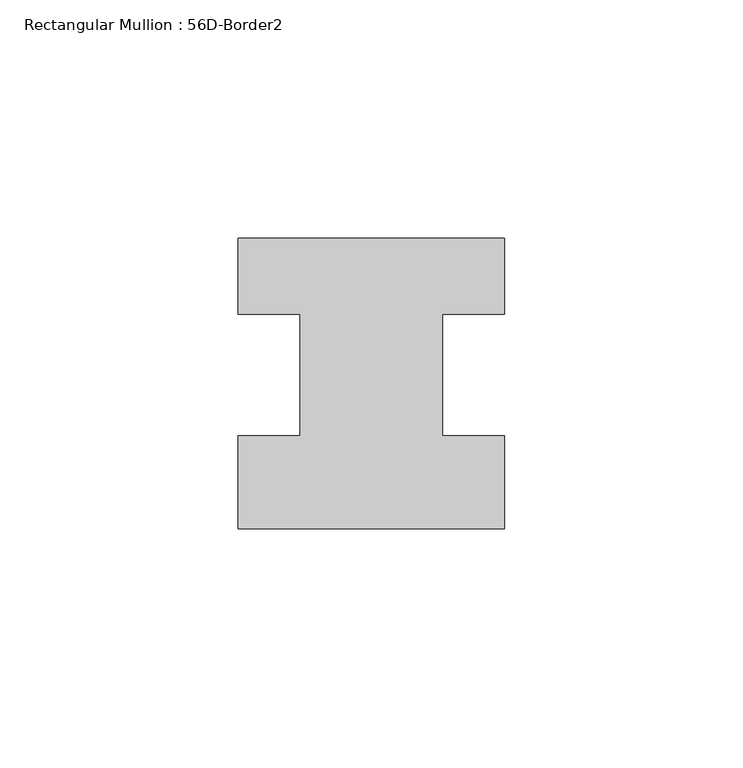
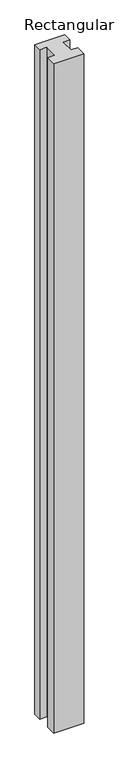
"""IFC4 building model written with IfcOpenShell, lengths in millimetres: member geometry, Rectangular Mullion : 56D-Border2."""

from ifc_helpers import new_model, si_unit, frame, origin, place, context, project, spatial, polyline, outline, extrude, source, transform, mapped, element, save


def rectangular_mullion_56d_border2_4935e592(model_context):
    return source(origin(), model_context, "Body", "SweptSolid", [
        extrude(outline(polyline([(0.0, -20.0), (-56.0, -20.0), (-56.0, -0.5), (-43.0, -0.5), (-43.0, 25.0), (-56.0, 25.0), (-56.0, 41.0), (0.0, 41.0), (0.0, 25.0), (-13.0, 25.0), (-13.0, -0.5), (0.0, -0.5), (0.0, -20.0)])), frame((0.0, 0.0, -1322.465707), z_axis=(0.0, 0.0, 1.0), x_axis=(1.0, 0.0, 0.0)), (0.0, 0.0, 1.0), 1322.465707),
    ])


if __name__ == "__main__":
    model = new_model("IFC4")
    model_context = context("Model", 3, world=origin())
    ifc_project = project(units=[si_unit("LENGTHUNIT", "METRE", prefix="MILLI")], contexts=[model_context])
    site = spatial("IfcSite", under=ifc_project)
    building = spatial("IfcBuilding", under=site)
    placement = place(None, origin())
    rectangular_mullion_56d_border2_shape = rectangular_mullion_56d_border2_4935e592(model_context)
    element("IfcMember", 1, ObjectType="Rectangular Mullion : 56D-Border2", at=placement, inside=building, context=model_context, shape_type="MappedRepresentation", body=[
        mapped(rectangular_mullion_56d_border2_shape, transform((0.0, 0.0, 0.0), x_axis=(1.0, 0.0, 0.0), y_axis=(0.0, 1.0, 0.0), z_axis=(0.0, 0.0, 1.0))),
    ])
    save(model, "model.ifc")
